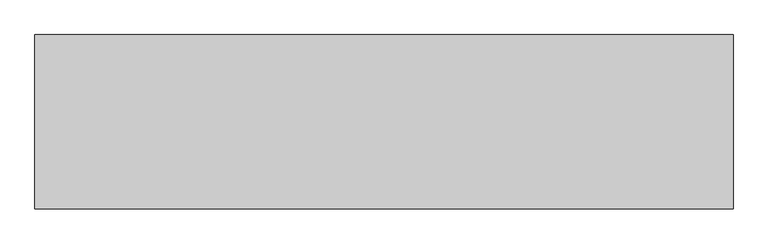
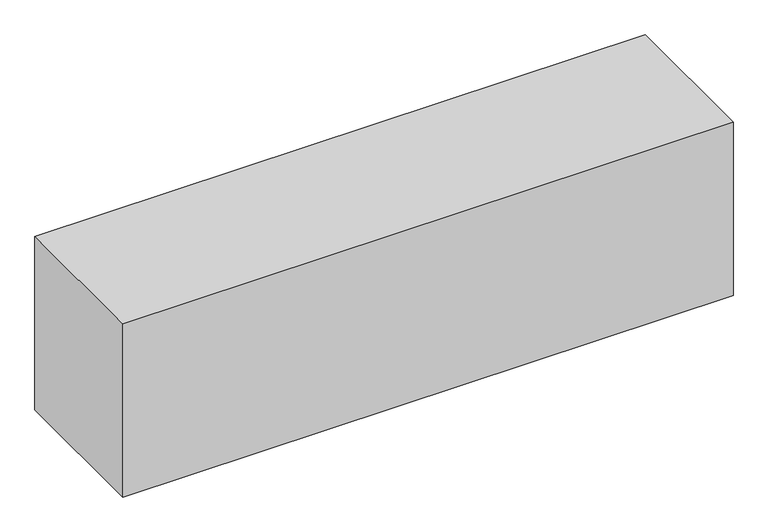
"""IFC4 building model written with IfcOpenShell, lengths in millimetres: proxy geometry."""

from ifc_helpers import new_model, si_unit, origin, origin_with_axes, place, context, project, spatial, polyline, outline, extrude, source, transform, mapped, element, save


def generic_models_841e7419(model_context):
    return source(origin(), model_context, "Body", "SweptSolid", [
        extrude(outline(polyline([(-480.7030535, -40.8346095), (-40480.7030535, -40.8346095), (-40480.7030535, 9959.1653905), (-480.7030535, 9959.1653905), (-480.7030535, -40.8346095)])), origin_with_axes(), (0.0, 0.0, 1.0), 12000.0),
    ])


if __name__ == "__main__":
    model = new_model("IFC4")
    model_context = context("Model", 3, world=origin())
    ifc_project = project(units=[si_unit("LENGTHUNIT", "METRE", prefix="MILLI")], contexts=[model_context])
    site = spatial("IfcSite", under=ifc_project)
    building = spatial("IfcBuilding", under=site)
    placement = place(None, origin())
    generic_models_shape = generic_models_841e7419(model_context)
    element("IfcBuildingElementProxy", 1, Name="Generic Models", at=placement, inside=building, context=model_context, shape_type="MappedRepresentation", body=[
        mapped(generic_models_shape, transform((0.0, 0.0, 0.0), x_axis=(1.0, 0.0, 0.0), y_axis=(0.0, 1.0, 0.0), z_axis=(0.0, 0.0, 1.0))),
    ])
    save(model, "model.ifc")
